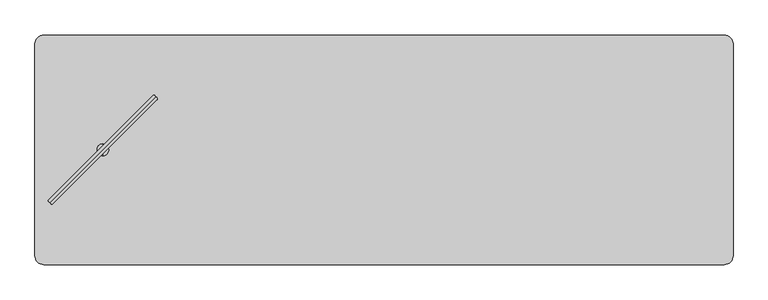
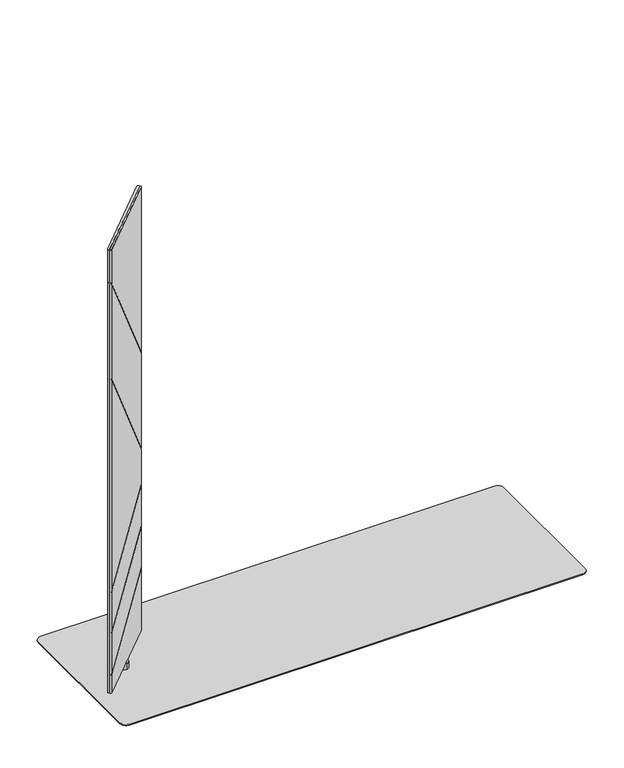
"""IFC4 building model written with IfcOpenShell, lengths in millimetres: furniture geometry."""

from ifc_helpers import new_model, si_unit, point, frame, frame_2d, origin, origin_with_axes, place, context, project, spatial, polyline, circle_curve, ellipse_curve, trimmed, segment, composite_curve, outline, extrude, source, transform, mapped, element, save
from ifc_brep_helpers import plane_surface, cylinder_surface, advanced_brep


def furniture_f0ded642(model_context):
    return source(origin(), model_context, "Body", "SolidModel", [
        advanced_brep(
        [(-710.9194656, -183.0476726, 1544.5359983), (-488.9555853, 39.0094149, 1544.5359983), (-493.1712839, 43.2234083, 1544.5359983), (-715.18304, -178.7849606, 1544.5359983), (-710.9194656, -183.0476726, 44.4119983), (-715.18304, -178.7849606, 44.4119983), (-493.1712839, 43.2234083, 44.4119983), (-488.9555853, 39.0094149, 44.4119983), (-715.18304, -178.7849606, 1429.2878628), (-715.6869022, -182.380027, 1433.3953437), (-715.6869022, -182.380027, 1427.844375), (-715.18304, -178.7849606, 1423.7368941), (-715.18304, -178.7849606, 1105.2593803), (-715.6869022, -182.380027, 1109.3659231), (-715.6869022, -182.380027, 1103.8158008), (-715.18304, -178.7849606, 1099.709258), (-715.18304, -178.7849606, 391.2800429), (-715.6869022, -182.380027, 389.9117165), (-715.6869022, -182.380027, 386.372591), (-715.18304, -178.7849606, 387.7409174), (-715.18304, -178.7849606, 251.1168163), (-715.6869022, -182.380027, 249.7483439), (-715.6869022, -182.380027, 246.2091496), (-715.18304, -178.7849606, 247.577622), (-715.18304, -178.7849606, 110.9151613), (-715.6869022, -182.380027, 109.5467302), (-715.6869022, -182.380027, 106.0075554), (-715.18304, -178.7849606, 107.3759865), (-493.1712839, 43.2234083, 984.3412991), (-493.1712839, 43.2234083, 255.6125147), (-493.1712839, 43.2234083, 978.7903304), (-493.1712839, 43.2234083, 660.4144411), (-493.1712839, 43.2234083, 654.8643188), (-493.1712839, 43.2234083, 539.5052317), (-493.1712839, 43.2234083, 535.9661062), (-493.1712839, 43.2234083, 399.3578128), (-493.1712839, 43.2234083, 395.8186185), (-493.1712839, 43.2234083, 259.1516895), (-489.6477388, 43.6591364, 256.9343217), (-489.6477388, 43.6591364, 260.4734965), (-489.6477388, 43.6591364, 397.1404654), (-489.6477388, 43.6591364, 400.6796597), (-489.6477388, 43.6591364, 537.2878121), (-489.6477388, 43.6591364, 540.8269377), (-489.6477388, 43.6591364, 650.8976908), (-489.6477388, 43.6591364, 656.4478131), (-489.6477388, 43.6591364, 974.8227962), (-489.6477388, 43.6591364, 980.3737649)],
        [
            (0, 1),
            (1, 2, circle_curve(frame((-491.1155655, 41.0642596, 1544.5359983), z_axis=(0.0, 0.0, 1.0), x_axis=(0.6892541380737184, 0.724519656840486, 0.0)), 2.9812584)),
            (2, 3),
            (3, 0, circle_curve(frame((-713.0514846, -180.9165485, 1544.5359983), z_axis=(0.0, 0.0, 1.0), x_axis=(-0.7071121751659861, -0.7071013871659622, 0.0)), 3.0144975)),
            (4, 5, circle_curve(frame((-713.0514846, -180.9165485, 44.4119983), z_axis=(0.0, 0.0, -1.0), x_axis=(-0.7071121751659861, -0.7071013871659622, 0.0)), 3.0144975)),
            (5, 6),
            (6, 7, circle_curve(frame((-491.1155655, 41.0642596, 44.4119983), z_axis=(0.0, 0.0, -1.0), x_axis=(0.6892541380737184, 0.724519656840486, 0.0)), 2.9812584)),
            (7, 4),
            (3, 8),
            (8, 9, ellipse_curve(frame((-713.0514846, -180.9165485, 1429.2878953), z_axis=(0.577750975804524, 0.5777509758045234, 0.576548020475174), x_axis=(-0.40768101495767617, -0.4076810149576757, 0.817063265657047)), 5.2285281, 3.0144975)),
            (9, 10),
            (10, 11, ellipse_curve(frame((-713.0514846, -180.9165485, 1423.7369267), z_axis=(-0.577750975804524, -0.5777509758045234, -0.576548020475174), x_axis=(-0.40768101495767617, -0.4076810149576757, 0.817063265657047)), 5.2285281, 3.0144975)),
            (11, 12),
            (12, 13, ellipse_curve(frame((-713.0514846, -180.9165485, 1105.2594129), z_axis=(0.5777071023563686, 0.577707102356368, 0.576635940411294), x_axis=(-0.4077431837407081, -0.4077431837407078, 0.8170012192316377)), 5.2277309, 3.0144975)),
            (13, 14),
            (14, 15, ellipse_curve(frame((-713.0514846, -180.9165485, 1099.7092905), z_axis=(-0.5777071023563686, -0.5777071023563679, -0.5766359404112942), x_axis=(-0.40774318374070834, -0.40774318374070784, 0.8170012192316375)), 5.2277309, 3.0144975)),
            (15, 16),
            (16, 17, ellipse_curve(frame((-713.0514846, -180.9165485, 391.2800321), z_axis=(-0.3018753516577264, -0.3018753516577261, 0.9042911832607062), x_axis=(0.6394304278508526, 0.6394304278508519, 0.42691621646050404)), 3.3335474, 3.0144975)),
            (17, 18),
            (18, 19, ellipse_curve(frame((-713.0514846, -180.9165485, 387.7409066), z_axis=(0.3018753516577265, 0.30187535165772633, -0.9042911832607061), x_axis=(0.6394304278508526, 0.6394304278508522, 0.4269162164605042)), 3.3335474, 3.0144975)),
            (19, 20),
            (20, 21, ellipse_curve(frame((-713.0514846, -180.9165485, 251.1168054), z_axis=(-0.3019016772725295, -0.3019016772725292, 0.9042736060065379), x_axis=(0.6394179988552356, 0.6394179988552351, 0.4269534465019956)), 3.3336122, 3.0144975)),
            (21, 22),
            (22, 23, ellipse_curve(frame((-713.0514846, -180.9165485, 247.5776111), z_axis=(0.3019016772725295, 0.30190167727252887, -0.9042736060065379), x_axis=(0.639417998855236, 0.6394179988552348, 0.42695344650199585)), 3.3336122, 3.0144975)),
            (23, 24),
            (24, 25, ellipse_curve(frame((-713.0514846, -180.9165485, 110.9151505), z_axis=(-0.30189423598003035, -0.30189423598003007, 0.9042785746461471), x_axis=(0.6394215122139965, 0.6394215122139959, 0.4269429229252227)), 3.3335939, 3.0144975)),
            (25, 26),
            (26, 27, ellipse_curve(frame((-713.0514846, -180.9165485, 107.3759756), z_axis=(0.30189423598002996, 0.3018942359800298, -0.9042785746461475), x_axis=(0.6394215122139967, 0.6394215122139962, 0.4269429229252216)), 3.3335939, 3.0144975)),
            (27, 5),
            (4, 0),
            (2, 28),
            (28, 8),
            (27, 29),
            (29, 6),
            (11, 30),
            (30, 31),
            (31, 12),
            (15, 32),
            (32, 33),
            (33, 16),
            (19, 34),
            (34, 35),
            (35, 20),
            (23, 36),
            (36, 37),
            (37, 24),
            (1, 7),
            (29, 38, ellipse_curve(frame((-491.1155655, 41.0642596, 255.5779843), z_axis=(0.30189423598002996, 0.3018942359800298, -0.9042785746461475), x_axis=(0.6394215122139967, 0.6394215122139962, 0.4269429229252216)), 3.2968362, 2.9812584)),
            (38, 39),
            (39, 37, ellipse_curve(frame((-491.1155655, 41.0642596, 259.1171592), z_axis=(-0.30189423598003035, -0.30189423598003007, 0.9042785746461471), x_axis=(0.6394215122139965, 0.6394215122139959, 0.4269429229252227)), 3.2968362, 2.9812584)),
            (36, 40, ellipse_curve(frame((-491.1155655, 41.0642596, 395.7840871), z_axis=(0.3019016772725295, 0.30190167727252887, -0.9042736060065379), x_axis=(0.639417998855236, 0.6394179988552348, 0.42695344650199585)), 3.2968543, 2.9812584)),
            (40, 41),
            (41, 35, ellipse_curve(frame((-491.1155655, 41.0642596, 399.3232814), z_axis=(-0.3019016772725295, -0.3019016772725292, 0.9042736060065379), x_axis=(0.6394179988552356, 0.6394179988552351, 0.4269534465019956)), 3.2968543, 2.9812584)),
            (34, 42, ellipse_curve(frame((-491.1155655, 41.0642596, 535.9315785), z_axis=(0.3018753516577265, 0.30187535165772633, -0.9042911832607061), x_axis=(0.6394304278508526, 0.6394304278508522, 0.4269162164605042)), 3.2967902, 2.9812584)),
            (42, 43),
            (43, 33, ellipse_curve(frame((-491.1155655, 41.0642596, 539.4707041), z_axis=(-0.3018753516577264, -0.3018753516577261, 0.9042911832607062), x_axis=(0.6394304278508526, 0.6394304278508519, 0.42691621646050404)), 3.2967902, 2.9812584)),
            (32, 44, ellipse_curve(frame((-491.1155655, 41.0642596, 654.9679413), z_axis=(-0.5777071023563686, -0.5777071023563679, -0.5766359404112942), x_axis=(-0.40774318374070834, -0.40774318374070784, 0.8170012192316375)), 5.1700876, 2.9812584)),
            (44, 45),
            (45, 31, ellipse_curve(frame((-491.1155655, 41.0642596, 660.5180637), z_axis=(0.5777071023563686, 0.577707102356368, 0.576635940411294), x_axis=(-0.4077431837407081, -0.4077431837407078, 0.8170012192316377)), 5.1700876, 2.9812584)),
            (30, 46, ellipse_curve(frame((-491.1155655, 41.0642596, 978.8939766), z_axis=(-0.577750975804524, -0.5777509758045234, -0.576548020475174), x_axis=(-0.40768101495767617, -0.4076810149576757, 0.817063265657047)), 5.1708761, 2.9812584)),
            (46, 47),
            (47, 28, ellipse_curve(frame((-491.1155655, 41.0642596, 984.4449453), z_axis=(0.577750975804524, 0.5777509758045234, 0.576548020475174), x_axis=(-0.40768101495767617, -0.4076810149576757, 0.817063265657047)), 5.1708761, 2.9812584)),
            (46, 10),
            (9, 47),
            (44, 14),
            (13, 45),
            (17, 43),
            (42, 18),
            (40, 22),
            (21, 41),
            (38, 26),
            (25, 39),
        ],
        [
            plane_surface(frame((-602.0573437, -69.8999525, 1544.5359983), z_axis=(0.0, 0.0, 1.0000000000000002), x_axis=(0.7069583324882522, 0.7072551987263367, 0.0))),
            plane_surface(frame((-602.0573437, -69.8999525, 44.4119983), z_axis=(0.0, 0.0, -1.0000000000000002), x_axis=(0.7069583324882522, 0.7072551987263367, 0.0))),
            cylinder_surface(frame((-713.0514846, -180.9165485, 44.4119983), z_axis=(0.0, 0.0, 1.0), x_axis=(-0.7071121751659861, -0.7071013871659622, 0.0)), 3.0144975),
            plane_surface(frame((-604.1771619, -67.7807761, 44.4119983), z_axis=(-0.7071013871659615, 0.7071121751659868, 0.0), x_axis=(-0.7071121751659868, -0.7071013871659615, 0.0))),
            cylinder_surface(frame((-491.1155655, 41.0642596, 44.4119983), z_axis=(0.0, 0.0, 1.0), x_axis=(0.6892541380737184, 0.724519656840486, 0.0)), 2.9812584),
            plane_surface(frame((-599.9375254, -72.0191288, 44.4119983), z_axis=(0.7072551987263367, -0.7069583324882522, 0.0), x_axis=(0.7069583324882522, 0.7072551987263367, 0.0))),
            plane_surface(frame((-475.2662544, 58.0406208, 1894.4944788), z_axis=(-0.7071067811865472, 0.707106781186548, 0.0), x_axis=(0.0, 0.0, 1.0))),
            plane_surface(frame((-749.6511346, -176.8311325, 1461.8699696), z_axis=(-0.577750975804524, -0.5777509758045234, -0.576548020475174), x_axis=(0.7071067811865472, -0.7071067811865479, 0.0))),
            plane_surface(frame((-495.0228179, 77.7971843, 945.9998141), z_axis=(0.577750975804524, 0.5777509758045234, 0.576548020475174), x_axis=(0.7071067811865472, -0.7071067811865479, 0.0))),
            plane_surface(frame((-749.6511346, -176.8311325, 1137.8340454), z_axis=(-0.5777071023563686, -0.577707102356368, -0.576635940411294), x_axis=(0.7071067811865472, -0.7071067811865479, 0.0))),
            plane_surface(frame((-495.0228179, 77.7971843, 622.0812918), z_axis=(0.5777071023563686, 0.5777071023563679, 0.5766359404112942), x_axis=(0.7071067811865471, -0.707106781186548, 0.0))),
            plane_surface(frame((-495.0228179, 77.7971843, 546.8896212), z_axis=(-0.3018753516577265, -0.30187535165772633, 0.9042911832607061), x_axis=(0.7071067811865474, -0.7071067811865477, 0.0))),
            plane_surface(frame((-749.6511346, -176.8311325, 380.4259554), z_axis=(0.30187535165772644, 0.30187535165772617, -0.9042911832607065), x_axis=(0.7071067811865472, -0.7071067811865479, 0.0))),
            plane_surface(frame((-749.6511346, -176.8311325, 240.2615712), z_axis=(0.3019016772725295, 0.3019016772725292, -0.9042736060065379), x_axis=(0.7071067811865472, -0.7071067811865479, 0.0))),
            plane_surface(frame((-495.0228179, 77.7971843, 406.7432984), z_axis=(-0.3019016772725295, -0.30190167727252887, 0.9042736060065379), x_axis=(0.7071067811865468, -0.7071067811865482, 0.0))),
            plane_surface(frame((-749.6511346, -176.8311325, 100.0602435), z_axis=(0.3018942359800304, 0.3018942359800301, -0.9042785746461474), x_axis=(0.7071067811865472, -0.7071067811865479, 0.0))),
            plane_surface(frame((-495.0228179, 77.7971843, 266.5368653), z_axis=(-0.30189423598002996, -0.3018942359800298, 0.9042785746461475), x_axis=(0.7071067811865474, -0.7071067811865477, 0.0))),
        ],
        [
            (0, [[1, 2, 3, 4]]),
            (1, [[5, 6, 7, 8]]),
            (2, [[-4, 9, 10, 11, 12, 13, 14, 15, 16, 17, 18, 19, 20, 21, 22, 23, 24, 25, 26, 27, 28, 29, -5, 30]]),
            (3, [[-3, 31, 32, -9]]),
            (3, [[-6, -29, 33, 34]]),
            (3, [[-13, 35, 36, 37]]),
            (3, [[-17, 38, 39, 40]]),
            (3, [[-21, 41, 42, 43]]),
            (3, [[-25, 44, 45, 46]]),
            (4, [[-2, 47, -7, -34, 48, 49, 50, -45, 51, 52, 53, -42, 54, 55, 56, -39, 57, 58, 59, -36, 60, 61, 62, -31]]),
            (5, [[-1, -30, -8, -47]]),
            (6, [[63, -11, 64, -61]]),
            (6, [[65, -15, 66, -58]]),
            (6, [[67, -55, 68, -19]]),
            (6, [[69, -23, 70, -52]]),
            (6, [[71, -27, 72, -49]]),
            (7, [[-64, -10, -32, -62]]),
            (8, [[-63, -60, -35, -12]]),
            (9, [[-66, -14, -37, -59]]),
            (10, [[-65, -57, -38, -16]]),
            (11, [[-68, -54, -41, -20]]),
            (12, [[-67, -18, -40, -56]]),
            (13, [[-70, -22, -43, -53]]),
            (14, [[-69, -51, -44, -24]]),
            (15, [[-72, -26, -46, -50]]),
            (16, [[-71, -48, -33, -28]]),
        ],
    ),
        advanced_brep(
        [(-710.9587734, -183.0083649, 1544.5359983), (-706.6960613, -187.2719392, 1544.5359983), (-484.6876924, 34.7398168, 1544.5359983), (-488.9016858, 38.9555155, 1544.5359983), (-710.9587733, -183.0083649, 44.4119983), (-488.9016858, 38.9555155, 44.4119983), (-484.6876924, 34.7398168, 44.4119983), (-706.6960613, -187.2719392, 44.4119983), (-706.6960613, -187.2719392, 107.3759865), (-710.2911277, -187.7758015, 106.0075554), (-710.2911277, -187.7758015, 109.5467302), (-706.6960613, -187.2719392, 110.9151613), (-706.6960613, -187.2719392, 247.577622), (-710.2911277, -187.7758015, 246.2091496), (-710.2911277, -187.7758015, 249.7483439), (-706.6960613, -187.2719392, 251.1168163), (-706.6960613, -187.2719392, 387.7409174), (-710.2911277, -187.7758015, 386.372591), (-710.2911277, -187.7758015, 389.9117165), (-706.6960613, -187.2719392, 391.2800429), (-706.6960613, -187.2719392, 1099.709258), (-710.2911277, -187.7758015, 1103.8158008), (-710.2911277, -187.7758015, 1109.3659231), (-706.6960613, -187.2719392, 1105.2593803), (-706.6960613, -187.2719392, 1423.7368941), (-710.2911277, -187.7758015, 1427.844375), (-710.2911277, -187.7758015, 1433.3953437), (-706.6960613, -187.2719392, 1429.2878628), (-484.6876924, 34.7398168, 259.1516895), (-484.6876924, 34.7398168, 395.8186185), (-484.6876924, 34.7398168, 399.3578128), (-484.6876924, 34.7398168, 535.9661062), (-484.6876924, 34.7398168, 539.5052317), (-484.6876924, 34.7398168, 654.8643188), (-484.6876924, 34.7398168, 660.4144411), (-484.6876924, 34.7398168, 978.7903304), (-484.6876924, 34.7398168, 984.3412991), (-484.6876924, 34.7398168, 255.6125147), (-484.2519643, 38.263362, 980.3737649), (-484.2519643, 38.263362, 974.8227962), (-484.2519643, 38.263362, 656.4478131), (-484.2519643, 38.263362, 650.8976908), (-484.2519643, 38.263362, 540.8269377), (-484.2519643, 38.263362, 537.2878121), (-484.2519643, 38.263362, 400.6796597), (-484.2519643, 38.263362, 397.1404654), (-484.2519643, 38.263362, 260.4734965), (-484.2519643, 38.263362, 256.9343217)],
        [
            (0, 1, circle_curve(frame((-708.8276492, -185.1403839, 1544.5359983), z_axis=(0.0, 0.0, 1.0), x_axis=(-0.7072551987263337, -0.7069583324882551, 0.0)), 3.0144975)),
            (1, 2),
            (2, 3, circle_curve(frame((-486.8468411, 36.7955352, 1544.5359983), z_axis=(0.0, 0.0, 1.0), x_axis=(0.6895472047235311, 0.7242407420588576, 0.0)), 2.9812584)),
            (3, 0),
            (4, 5),
            (5, 6, circle_curve(frame((-486.8468411, 36.7955352, 44.4119983), z_axis=(0.0, 0.0, -1.0), x_axis=(0.6895472047235311, 0.7242407420588576, 0.0)), 2.9812584)),
            (6, 7),
            (7, 4, circle_curve(frame((-708.8276492, -185.1403839, 44.4119983), z_axis=(0.0, 0.0, -1.0), x_axis=(-0.7072551987263337, -0.7069583324882551, 0.0)), 3.0144975)),
            (0, 4),
            (7, 8),
            (8, 9, ellipse_curve(frame((-708.8276492, -185.1403839, 107.3759756), z_axis=(0.3018942359800301, 0.3018942359800296, -0.9042785746461475), x_axis=(0.6394215122139969, 0.6394215122139959, 0.4269429229252216)), 3.3335939, 3.0144975)),
            (9, 10),
            (10, 11, ellipse_curve(frame((-708.8276492, -185.1403839, 110.9151505), z_axis=(-0.30189423598003046, -0.3018942359800299, 0.9042785746461472), x_axis=(0.639421512213997, 0.6394215122139958, 0.42694292292522235)), 3.3335939, 3.0144975)),
            (11, 12),
            (12, 13, ellipse_curve(frame((-708.8276492, -185.1403839, 247.5776111), z_axis=(0.3019016772725294, 0.3019016772725289, -0.9042736060065379), x_axis=(0.6394179988552359, 0.6394179988552348, 0.4269534465019958)), 3.3336122, 3.0144975)),
            (13, 14),
            (14, 15, ellipse_curve(frame((-708.8276492, -185.1403839, 251.1168054), z_axis=(-0.30190167727252964, -0.3019016772725291, 0.9042736060065377), x_axis=(0.6394179988552356, 0.6394179988552345, 0.42695344650199624)), 3.3336122, 3.0144975)),
            (15, 16),
            (16, 17, ellipse_curve(frame((-708.8276492, -185.1403839, 387.7409066), z_axis=(0.3018753516577267, 0.3018753516577262, -0.9042911832607062), x_axis=(0.6394304278508529, 0.6394304278508518, 0.42691621646050376)), 3.3335474, 3.0144975)),
            (17, 18),
            (18, 19, ellipse_curve(frame((-708.8276492, -185.1403839, 391.2800321), z_axis=(-0.3018753516577265, -0.30187535165772594, 0.9042911832607062), x_axis=(0.6394304278508529, 0.6394304278508517, 0.42691621646050404)), 3.3335474, 3.0144975)),
            (19, 20),
            (20, 21, ellipse_curve(frame((-708.8276492, -185.1403839, 1099.7092905), z_axis=(-0.5777071023563687, -0.5777071023563677, -0.5766359404112942), x_axis=(-0.40774318374070845, -0.4077431837407077, 0.8170012192316376)), 5.2277309, 3.0144975)),
            (21, 22),
            (22, 23, ellipse_curve(frame((-708.8276492, -185.1403839, 1105.2594129), z_axis=(0.5777071023563689, 0.5777071023563678, 0.576635940411294), x_axis=(-0.4077431837407084, -0.40774318374070756, 0.8170012192316377)), 5.2277309, 3.0144975)),
            (23, 24),
            (24, 25, ellipse_curve(frame((-708.8276492, -185.1403839, 1423.7369267), z_axis=(-0.5777509758045232, -0.5777509758045242, -0.5765480204751738), x_axis=(-0.40768101495767556, -0.4076810149576762, 0.8170632656570472)), 5.2285281, 3.0144975)),
            (25, 26),
            (26, 27, ellipse_curve(frame((-708.8276492, -185.1403839, 1429.2878953), z_axis=(0.5777509758045243, 0.5777509758045233, 0.5765480204751738), x_axis=(-0.4076810149576763, -0.4076810149576756, 0.8170632656570472)), 5.2285281, 3.0144975)),
            (27, 1),
            (11, 28),
            (28, 29),
            (29, 12),
            (15, 30),
            (30, 31),
            (31, 16),
            (19, 32),
            (32, 33),
            (33, 20),
            (23, 34),
            (34, 35),
            (35, 24),
            (27, 36),
            (36, 2),
            (6, 37),
            (37, 8),
            (36, 38, ellipse_curve(frame((-486.8468411, 36.7955352, 984.4449453), z_axis=(0.5777509758045243, 0.5777509758045233, 0.5765480204751738), x_axis=(-0.4076810149576763, -0.4076810149576756, 0.8170632656570472)), 5.1708761, 2.9812584)),
            (38, 39),
            (39, 35, ellipse_curve(frame((-486.8468411, 36.7955352, 978.8939766), z_axis=(-0.5777509758045232, -0.5777509758045242, -0.5765480204751738), x_axis=(-0.40768101495767556, -0.4076810149576762, 0.8170632656570472)), 5.1708761, 2.9812584)),
            (34, 40, ellipse_curve(frame((-486.8468411, 36.7955352, 660.5180637), z_axis=(0.5777071023563689, 0.5777071023563678, 0.576635940411294), x_axis=(-0.4077431837407084, -0.40774318374070756, 0.8170012192316377)), 5.1700876, 2.9812584)),
            (40, 41),
            (41, 33, ellipse_curve(frame((-486.8468411, 36.7955352, 654.9679413), z_axis=(-0.5777071023563687, -0.5777071023563677, -0.5766359404112942), x_axis=(-0.40774318374070845, -0.4077431837407077, 0.8170012192316376)), 5.1700876, 2.9812584)),
            (32, 42, ellipse_curve(frame((-486.8468411, 36.7955352, 539.4707041), z_axis=(-0.3018753516577265, -0.30187535165772594, 0.9042911832607062), x_axis=(0.6394304278508529, 0.6394304278508517, 0.42691621646050404)), 3.2967902, 2.9812584)),
            (42, 43),
            (43, 31, ellipse_curve(frame((-486.8468411, 36.7955352, 535.9315785), z_axis=(0.3018753516577267, 0.3018753516577262, -0.9042911832607062), x_axis=(0.6394304278508529, 0.6394304278508518, 0.42691621646050376)), 3.2967902, 2.9812584)),
            (30, 44, ellipse_curve(frame((-486.8468411, 36.7955352, 399.3232814), z_axis=(-0.30190167727252964, -0.3019016772725291, 0.9042736060065377), x_axis=(0.6394179988552356, 0.6394179988552345, 0.42695344650199624)), 3.2968543, 2.9812584)),
            (44, 45),
            (45, 29, ellipse_curve(frame((-486.8468411, 36.7955352, 395.7840871), z_axis=(0.3019016772725294, 0.3019016772725289, -0.9042736060065379), x_axis=(0.6394179988552359, 0.6394179988552348, 0.4269534465019958)), 3.2968543, 2.9812584)),
            (28, 46, ellipse_curve(frame((-486.8468411, 36.7955352, 259.1171592), z_axis=(-0.30189423598003046, -0.3018942359800299, 0.9042785746461472), x_axis=(0.639421512213997, 0.6394215122139958, 0.42694292292522235)), 3.2968362, 2.9812584)),
            (46, 47),
            (47, 37, ellipse_curve(frame((-486.8468411, 36.7955352, 255.5779843), z_axis=(0.3018942359800301, 0.3018942359800296, -0.9042785746461475), x_axis=(0.6394215122139969, 0.6394215122139959, 0.4269429229252216)), 3.2968362, 2.9812584)),
            (5, 3),
            (38, 26),
            (25, 39),
            (40, 22),
            (21, 41),
            (17, 43),
            (42, 18),
            (44, 14),
            (13, 45),
            (46, 10),
            (9, 47),
        ],
        [
            plane_surface(frame((-597.8110532, -74.146243, 1544.5359983), z_axis=(0.0, 0.0, 1.0000000000000002), x_axis=(-0.7072551987263422, -0.7069583324882467, 0.0))),
            plane_surface(frame((-597.8110532, -74.146243, 44.4119983), z_axis=(0.0, 0.0, -1.0000000000000002), x_axis=(-0.7072551987263422, -0.7069583324882467, 0.0))),
            cylinder_surface(frame((-708.8276492, -185.1403839, 44.4119983), z_axis=(0.0, 0.0, 1.0), x_axis=(-0.7072551987263337, -0.7069583324882551, 0.0)), 3.0144975),
            plane_surface(frame((-595.6918769, -76.2660612, 44.4119983), z_axis=(0.7071121751659858, -0.7071013871659624, 0.0), x_axis=(0.7071013871659624, 0.7071121751659858, 0.0))),
            cylinder_surface(frame((-486.8468411, 36.7955352, 44.4119983), z_axis=(0.0, 0.0, 1.0), x_axis=(0.6895472047235311, 0.7242407420588576, 0.0)), 2.9812584),
            plane_surface(frame((-599.9302295, -72.0264247, 44.4119983), z_axis=(-0.7069583324882512, 0.7072551987263376, 0.0), x_axis=(-0.7072551987263376, -0.7069583324882512, 0.0))),
            plane_surface(frame((-499.1694464, 23.3458798, 1010.2709792), z_axis=(0.7071067811865471, -0.7071067811865481, 0.0), x_axis=(0.40768101495767617, 0.40768101495767556, -0.8170632656570473))),
            plane_surface(frame((-450.1139164, 32.8882829, 951.5507828), z_axis=(-0.5777509758045242, -0.5777509758045232, -0.5765480204751737), x_axis=(-0.7071067811865469, 0.7071067811865481, 0.0))),
            plane_surface(frame((-704.7422332, -221.7400339, 1456.3190009), z_axis=(0.5777509758045232, 0.5777509758045242, 0.5765480204751738), x_axis=(-0.7071067811865481, 0.7071067811865469, 0.0))),
            plane_surface(frame((-450.1139164, 32.8882829, 627.6314141), z_axis=(-0.5777071023563689, -0.5777071023563678, -0.576635940411294), x_axis=(-0.7071067811865469, 0.7071067811865482, 0.0))),
            plane_surface(frame((-704.7422332, -221.7400339, 1132.2839231), z_axis=(0.5777071023563687, 0.5777071023563677, 0.5766359404112942), x_axis=(-0.7071067811865469, 0.7071067811865481, 0.0))),
            plane_surface(frame((-704.7422332, -221.7400339, 376.8868299), z_axis=(-0.3018753516577267, -0.3018753516577262, 0.9042911832607062), x_axis=(-0.7071067811865469, 0.7071067811865481, 0.0))),
            plane_surface(frame((-450.1139164, 32.8882829, 550.4287468), z_axis=(0.30187535165772655, 0.301875351657726, -0.9042911832607065), x_axis=(-0.7071067811865469, 0.7071067811865482, 0.0))),
            plane_surface(frame((-450.1139164, 32.8882829, 410.2824928), z_axis=(0.3019016772725297, 0.30190167727252915, -0.9042736060065379), x_axis=(-0.7071067811865469, 0.7071067811865482, 0.0))),
            plane_surface(frame((-704.7422332, -221.7400339, 236.7223769), z_axis=(-0.3019016772725294, -0.3019016772725289, 0.9042736060065379), x_axis=(-0.7071067811865469, 0.7071067811865481, 0.0))),
            plane_surface(frame((-450.1139164, 32.8882829, 270.0760402), z_axis=(0.3018942359800305, 0.30189423598002996, -0.9042785746461475), x_axis=(-0.7071067811865469, 0.7071067811865482, 0.0))),
            plane_surface(frame((-704.7422332, -221.7400339, 96.5210686), z_axis=(-0.3018942359800301, -0.3018942359800296, 0.9042785746461475), x_axis=(-0.7071067811865469, 0.7071067811865481, 0.0))),
        ],
        [
            (0, [[1, 2, 3, 4]]),
            (1, [[5, 6, 7, 8]]),
            (2, [[-1, 9, -8, 10, 11, 12, 13, 14, 15, 16, 17, 18, 19, 20, 21, 22, 23, 24, 25, 26, 27, 28, 29, 30]]),
            (3, [[-14, 31, 32, 33]]),
            (3, [[-18, 34, 35, 36]]),
            (3, [[-22, 37, 38, 39]]),
            (3, [[-26, 40, 41, 42]]),
            (3, [[-2, -30, 43, 44]]),
            (3, [[-7, 45, 46, -10]]),
            (4, [[-3, -44, 47, 48, 49, -41, 50, 51, 52, -38, 53, 54, 55, -35, 56, 57, 58, -32, 59, 60, 61, -45, -6, 62]]),
            (5, [[-4, -62, -5, -9]]),
            (6, [[63, -28, 64, -48]]),
            (6, [[65, -24, 66, -51]]),
            (6, [[67, -54, 68, -20]]),
            (6, [[69, -16, 70, -57]]),
            (6, [[71, -12, 72, -60]]),
            (7, [[-63, -47, -43, -29]]),
            (8, [[-64, -27, -42, -49]]),
            (9, [[-65, -50, -40, -25]]),
            (10, [[-66, -23, -39, -52]]),
            (11, [[-67, -19, -36, -55]]),
            (12, [[-68, -53, -37, -21]]),
            (13, [[-69, -56, -34, -17]]),
            (14, [[-70, -15, -33, -58]]),
            (15, [[-71, -59, -31, -13]]),
            (16, [[-72, -11, -46, -61]]),
        ],
    ),
        advanced_brep(
        [(-599.9988, -84.5709522, 44.4119983), (-599.9988, -59.5748171, 44.4119983), (-599.9988, -59.5748171, 23.6755986), (-599.9988, -84.5709522, 23.6755986), (-599.9988, -72.0728847, 44.4119983), (-599.9988, -72.0728847, 23.6755986)],
        [
            (0, 1, circle_curve(frame((-599.9988, -72.0728847, 44.4119983), z_axis=(0.0, 0.0, -1.0), x_axis=(0.0, 1.0, 0.0)), 12.4980675)),
            (1, 2),
            (2, 3, circle_curve(frame((-599.9988, -72.0728847, 23.6755986), z_axis=(0.0, 0.0, 1.0), x_axis=(0.0, 1.0, 0.0)), 12.4980675)),
            (3, 0),
            (4, 1),
            (0, 4),
            (0, 1, circle_curve(frame((-599.9988, -72.0728847, 44.4119983), z_axis=(0.0, 0.0, 1.0), x_axis=(0.0, 1.0, 0.0)), 12.4980675)),
            (2, 5),
            (5, 3),
            (2, 3, circle_curve(frame((-599.9988, -72.0728847, 23.6755986), z_axis=(0.0, 0.0, -1.0), x_axis=(0.0, 1.0, 0.0)), 12.4980675)),
        ],
        [
            cylinder_surface(frame((-599.9988, -72.0728847, 51.9527758), z_axis=(0.0, 0.0, 1.0), x_axis=(0.0, 1.0, 0.0)), 12.4980675),
            plane_surface(frame((-599.9988, -72.0728847, 44.4119983), z_axis=(0.0, 0.0, 1.0), x_axis=(0.0, 1.0, 0.0))),
            plane_surface(frame((-599.9988, -72.0728847, 23.6755986), z_axis=(0.0, 0.0, -1.0), x_axis=(0.0, 1.0, 0.0))),
        ],
        [
            (0, [[1, 2, 3, 4]]),
            (1, [[5, -1, 6]]),
            (1, [[-6, 7, -5]]),
            (2, [[-3, 8, 9]]),
            (2, [[10, -9, -8]]),
            (0, [[-7, -4, -10, -2]]),
        ],
    ),
        extrude(outline(composite_curve([segment(polyline([(-695.7695, 142.9271143), (695.7695, 142.9271143)]), True, "CONTINUOUS"), segment(trimmed(circle_curve(frame_2d((695.7695, 123.8771143)), 19.05), [point((695.7695, 142.9271143))], [point((714.8195, 123.8771143))], False, "CARTESIAN"), True, "CONTINUOUS"), segment(polyline([(714.8195, 123.8771143), (714.8195, -268.0228972)]), True, "CONTINUOUS"), segment(trimmed(circle_curve(frame_2d((695.7695, -268.0228972)), 19.05), [point((714.8195, -268.0228972))], [point((695.7695, -287.0728972))], False, "CARTESIAN"), True, "CONTINUOUS"), segment(polyline([(695.7695, -287.0728972), (-695.7695, -287.0728972)]), True, "CONTINUOUS"), segment(trimmed(circle_curve(frame_2d((-695.7695, -268.0228972)), 19.05), [point((-695.7695, -287.0728972))], [point((-714.8195, -268.0228972))], False, "CARTESIAN"), True, "CONTINUOUS"), segment(polyline([(-714.8195, -268.0228972), (-714.8195, 123.8771143)]), True, "CONTINUOUS"), segment(trimmed(circle_curve(frame_2d((-695.7695, 123.8771143)), 19.05), [point((-714.8195, 123.8771143))], [point((-695.7695, 142.9271143))], False, "CARTESIAN"), True, "CONTINUOUS")], self_intersect=False)), origin_with_axes(), (0.0, 0.0, 1.0), 20.6756),
        extrude(outline(composite_curve([segment(trimmed(circle_curve(frame_2d((725.932, 153.8601153)), 19.05), [point((725.932, 172.9101153))], [point((744.982, 153.8601153))], False, "CARTESIAN"), True, "CONTINUOUS"), segment(polyline([(744.982, 153.8601153), (744.982, -298.0058847)]), True, "CONTINUOUS"), segment(trimmed(circle_curve(frame_2d((725.932, -298.0058847)), 19.05), [point((744.982, -298.0058847))], [point((725.932, -317.0558847))], False, "CARTESIAN"), True, "CONTINUOUS"), segment(polyline([(725.932, -317.0558847), (-725.932, -317.0558847)]), True, "CONTINUOUS"), segment(trimmed(circle_curve(frame_2d((-725.932, -298.0058847)), 19.05), [point((-725.932, -317.0558847))], [point((-744.982, -298.0058847))], False, "CARTESIAN"), True, "CONTINUOUS"), segment(polyline([(-744.982, -298.0058847), (-744.982, 153.8601153)]), True, "CONTINUOUS"), segment(trimmed(circle_curve(frame_2d((-725.932, 153.8601153)), 19.05), [point((-744.982, 153.8601153))], [point((-725.932, 172.9101153))], False, "CARTESIAN"), True, "CONTINUOUS"), segment(polyline([(-725.932, 172.9101153), (725.932, 172.9101153)]), True, "CONTINUOUS")], self_intersect=False)), frame((0.0, 0.0, 20.6756), z_axis=(0.0, 0.0, 1.0), x_axis=(1.0, 0.0, 0.0)), (0.0, 0.0, 1.0), 2.9999986),
    ])


if __name__ == "__main__":
    model = new_model("IFC4")
    model_context = context("Model", 3, world=origin())
    ifc_project = project(units=[si_unit("LENGTHUNIT", "METRE", prefix="MILLI")], contexts=[model_context])
    site = spatial("IfcSite", under=ifc_project)
    building = spatial("IfcBuilding", under=site)
    placement = place(None, origin())
    furniture_shape = furniture_f0ded642(model_context)
    element("IfcFurniture", 1, at=placement, inside=building, context=model_context, shape_type="MappedRepresentation", body=[
        mapped(furniture_shape, transform((0.0, 0.0, 0.0), x_axis=(1.0, 0.0, 0.0), y_axis=(0.0, 1.0, 0.0), z_axis=(0.0, 0.0, 1.0))),
    ])
    save(model, "model.ifc")
